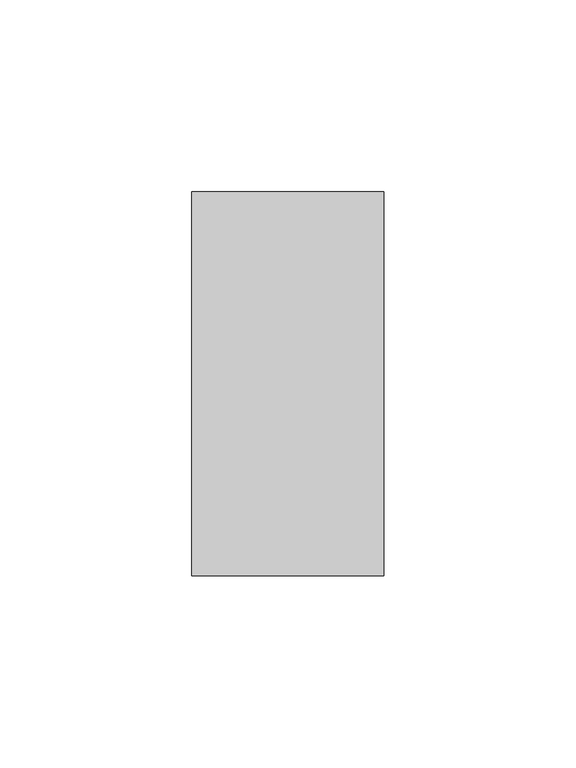
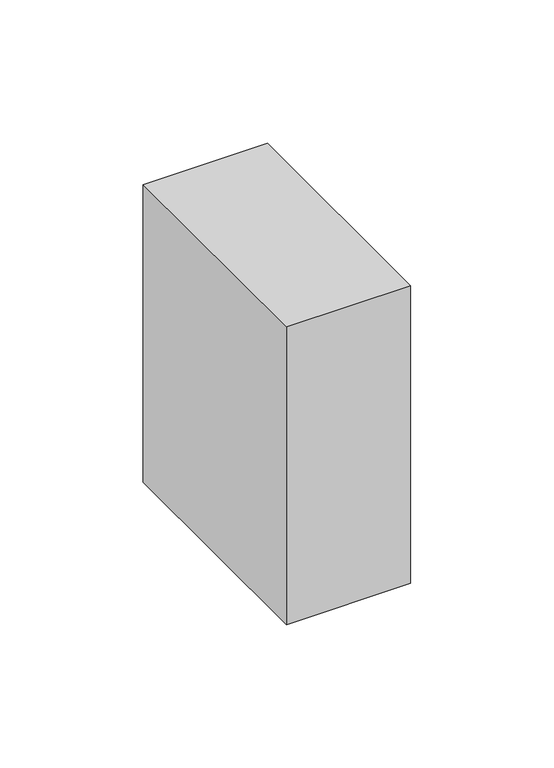
"""IFC4 building model written with IfcOpenShell, lengths in millimetres: member geometry."""

from ifc_helpers import new_model, si_unit, frame, origin, place, context, project, spatial, polyline, outline, extrude, source, transform, mapped, element, save


def member_fa42d280(model_context):
    return source(origin(), model_context, "Body", "SweptSolid", [
        extrude(outline(polyline([(0.0, 50.0), (0.0, -50.0), (-50.0, -50.0), (-50.0, 50.0), (0.0, 50.0)])), frame((0.0, 0.0, -126.6877954), z_axis=(0.0, 0.0, 1.0), x_axis=(1.0, 0.0, 0.0)), (0.0, 0.0, 1.0), 126.6877954),
    ])


if __name__ == "__main__":
    model = new_model("IFC4")
    model_context = context("Model", 3, world=origin())
    ifc_project = project(units=[si_unit("LENGTHUNIT", "METRE", prefix="MILLI")], contexts=[model_context])
    site = spatial("IfcSite", under=ifc_project)
    building = spatial("IfcBuilding", under=site)
    placement = place(None, origin())
    member_shape = member_fa42d280(model_context)
    element("IfcMember", 1, at=placement, inside=building, context=model_context, shape_type="MappedRepresentation", body=[
        mapped(member_shape, transform((0.0, 0.0, 0.0), x_axis=(1.0, 0.0, 0.0), y_axis=(0.0, 1.0, 0.0), z_axis=(0.0, 0.0, 1.0))),
    ])
    save(model, "model.ifc")
